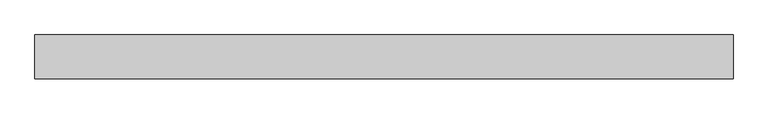
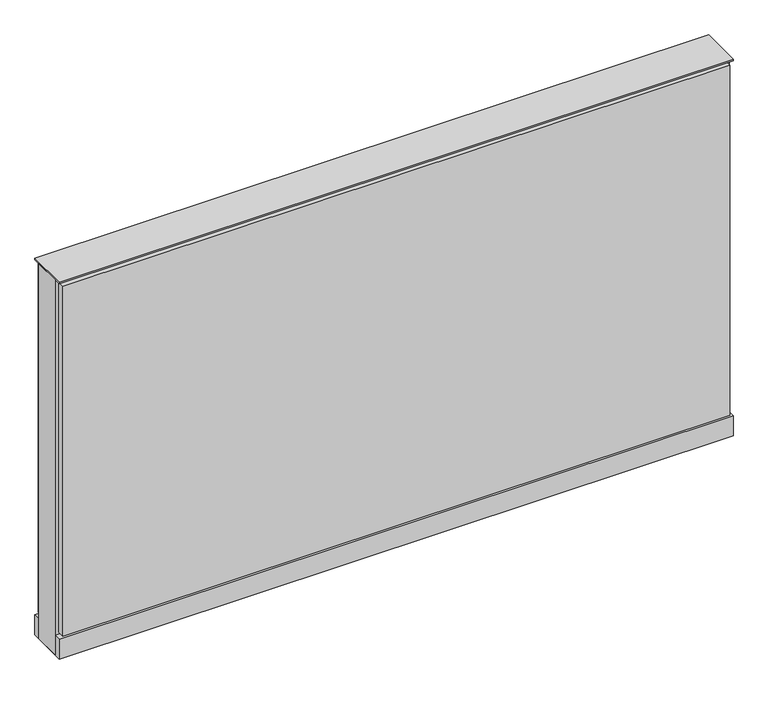
"""IFC4 building model written with IfcOpenShell, lengths in millimetres: furniture geometry."""

from ifc_helpers import new_model, si_unit, point, frame, frame_2d, origin, origin_with_axes, place, context, project, spatial, polyline, circle_curve, trimmed, segment, composite_curve, outline, extrude, source, transform, mapped, element, save


def furniture_ab55f56e(model_context):
    return source(origin(), model_context, "Body", "SweptSolid", [
        extrude(outline(composite_curve([segment(trimmed(circle_curve(frame_2d((535.8402902, 0.0)), 12.7), [point((523.1402902, 0.0))], [point((548.5402902, 0.0))], False, "CARTESIAN"), True, "CONTINUOUS"), segment(trimmed(circle_curve(frame_2d((535.8402902, 0.0)), 12.7), [point((548.5402902, 0.0))], [point((523.1402902, 0.0))], False, "CARTESIAN"), True, "CONTINUOUS")], self_intersect=False)), origin_with_axes(), (0.0, 0.0, 1.0), 12.7),
        extrude(outline(composite_curve([segment(trimmed(circle_curve(frame_2d((-530.9597098, 0.0)), 12.7), [point((-543.6597098, 0.0))], [point((-518.2597098, 0.0))], False, "CARTESIAN"), True, "CONTINUOUS"), segment(trimmed(circle_curve(frame_2d((-530.9597098, 0.0)), 12.7), [point((-518.2597098, 0.0))], [point((-543.6597098, 0.0))], False, "CARTESIAN"), True, "CONTINUOUS")], self_intersect=False)), origin_with_axes(), (0.0, 0.0, 1.0), 12.7),
        extrude(outline(polyline([(605.6902902, 38.1), (605.6902902, 25.4), (-600.8097098, 25.4), (-600.8097098, 38.1), (605.6902902, 38.1)])), frame((0.0, 0.0, 53.975), z_axis=(0.0, 0.0, 1.0), x_axis=(1.0, 0.0, 0.0)), (0.0, 0.0, 1.0), 669.925),
        extrude(outline(polyline([(605.6902902, -38.1), (-600.8097098, -38.1), (-600.8097098, -25.4), (605.6902902, -25.4), (605.6902902, -38.1)])), frame((0.0, 0.0, 53.975), z_axis=(0.0, 0.0, 1.0), x_axis=(1.0, 0.0, 0.0)), (0.0, 0.0, 1.0), 669.925),
        extrude(outline(polyline([(612.0402902, 25.4), (612.0402902, -25.4), (-607.1597098, -25.4), (-607.1597098, 25.4), (612.0402902, 25.4)])), frame((0.0, 0.0, 12.7), z_axis=(0.0, 0.0, 1.0), x_axis=(1.0, 0.0, 0.0)), (0.0, 0.0, 1.0), 717.55),
        extrude(outline(polyline([(-607.1597098, -38.1), (-607.1597098, 38.1), (612.0402902, 38.1), (612.0402902, -38.1), (-607.1597098, -38.1)])), frame((0.0, 0.0, 12.7), z_axis=(0.0, 0.0, 1.0), x_axis=(1.0, 0.0, 0.0)), (0.0, 0.0, 1.0), 38.1),
        extrude(outline(polyline([(-607.1597098, -38.1), (-607.1597098, 38.1), (612.0402902, 38.1), (612.0402902, -38.1), (-607.1597098, -38.1)])), frame((0.0, 0.0, 730.25), z_axis=(0.0, 0.0, 1.0), x_axis=(1.0, 0.0, 0.0)), (0.0, 0.0, 1.0), 3.175),
    ])


if __name__ == "__main__":
    model = new_model("IFC4")
    model_context = context("Model", 3, world=origin())
    ifc_project = project(units=[si_unit("LENGTHUNIT", "METRE", prefix="MILLI")], contexts=[model_context])
    site = spatial("IfcSite", under=ifc_project)
    building = spatial("IfcBuilding", under=site)
    placement = place(None, origin())
    furniture_shape = furniture_ab55f56e(model_context)
    element("IfcFurniture", 1, at=placement, inside=building, context=model_context, shape_type="MappedRepresentation", body=[
        mapped(furniture_shape, transform((0.0, 0.0, 0.0), x_axis=(1.0, 0.0, 0.0), y_axis=(0.0, 1.0, 0.0), z_axis=(0.0, 0.0, 1.0))),
    ])
    save(model, "model.ifc")
